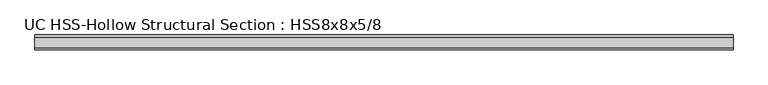
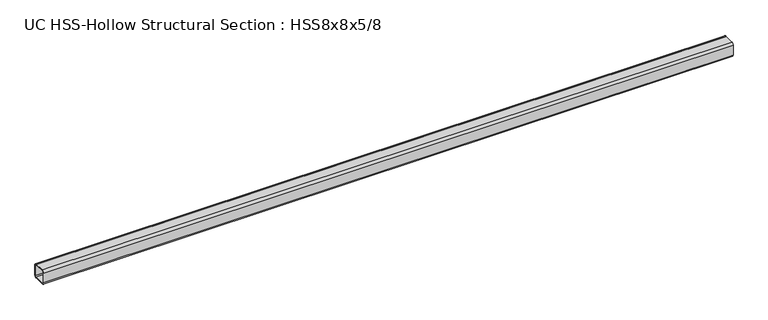
"""IFC4 building model written with IfcOpenShell, lengths in millimetres: member geometry, UC HSS-Hollow Structural Section : HSS8x8x5/8."""

from ifc_helpers import new_model, si_unit, point, frame, frame_2d, origin, place, context, project, spatial, polyline, circle_curve, trimmed, segment, composite_curve, outline, extrude, source, transform, mapped, element, save


def uc_hss_hollow_structural_section_hss8x8x5_8_5b283559(model_context):
    return source(origin(), model_context, "Body", "SweptSolid", [
        extrude(outline(composite_curve([segment(polyline([(101.6, 72.0852), (101.6, -72.0852)]), True, "CONTINUOUS"), segment(trimmed(circle_curve(frame_2d((72.0852, -72.0852)), 29.5148), [point((101.6, -72.0852))], [point((72.0852, -101.6))], False, "CARTESIAN"), True, "CONTINUOUS"), segment(polyline([(72.0852, -101.6), (-72.0852, -101.6)]), True, "CONTINUOUS"), segment(trimmed(circle_curve(frame_2d((-72.0852, -72.0852)), 29.5148), [point((-72.0852, -101.6))], [point((-101.6, -72.0852))], False, "CARTESIAN"), True, "CONTINUOUS"), segment(polyline([(-101.6, -72.0852), (-101.6, 72.0852)]), True, "CONTINUOUS"), segment(trimmed(circle_curve(frame_2d((-72.0852, 72.0852)), 29.5148), [point((-101.6, 72.0852))], [point((-72.0852, 101.6))], False, "CARTESIAN"), True, "CONTINUOUS"), segment(polyline([(-72.0852, 101.6), (72.0852, 101.6)]), True, "CONTINUOUS"), segment(trimmed(circle_curve(frame_2d((72.0852, 72.0852)), 29.5148), [point((72.0852, 101.6))], [point((101.6, 72.0852))], False, "CARTESIAN"), True, "CONTINUOUS")], self_intersect=False), holes=[composite_curve([segment(trimmed(circle_curve(frame_2d((-72.0852, 72.0852)), 14.7574), [point((-72.0852, 86.8426))], [point((-86.8426, 72.0852))], True, "CARTESIAN"), True, "CONTINUOUS"), segment(polyline([(-86.8426, 72.0852), (-86.8426, -72.0852)]), True, "CONTINUOUS"), segment(trimmed(circle_curve(frame_2d((-72.0852, -72.0852)), 14.7574), [point((-86.8426, -72.0852))], [point((-72.0852, -86.8426))], True, "CARTESIAN"), True, "CONTINUOUS"), segment(polyline([(-72.0852, -86.8426), (72.0852, -86.8426)]), True, "CONTINUOUS"), segment(trimmed(circle_curve(frame_2d((72.0852, -72.0852)), 14.7574), [point((72.0852, -86.8426))], [point((86.8426, -72.0852))], True, "CARTESIAN"), True, "CONTINUOUS"), segment(polyline([(86.8426, -72.0852), (86.8426, 72.0852)]), True, "CONTINUOUS"), segment(trimmed(circle_curve(frame_2d((72.0852, 72.0852)), 14.7574), [point((86.8426, 72.0852))], [point((72.0852, 86.8426))], True, "CARTESIAN"), True, "CONTINUOUS"), segment(polyline([(72.0852, 86.8426), (-72.0852, 86.8426)]), True, "CONTINUOUS")], self_intersect=False)]), frame((-4811.9291661, 0.0, 0.0), z_axis=(1.0, 0.0, 0.0), x_axis=(0.0, 1.0, 0.0)), (0.0, 0.0, 1.0), 9623.8583322),
    ])


if __name__ == "__main__":
    model = new_model("IFC4")
    model_context = context("Model", 3, world=origin())
    ifc_project = project(units=[si_unit("LENGTHUNIT", "METRE", prefix="MILLI")], contexts=[model_context])
    site = spatial("IfcSite", under=ifc_project)
    building = spatial("IfcBuilding", under=site)
    placement = place(None, origin())
    uc_hss_hollow_structural_section_hss8x8x5_8_shape = uc_hss_hollow_structural_section_hss8x8x5_8_5b283559(model_context)
    element("IfcMember", 1, ObjectType="UC HSS-Hollow Structural Section : HSS8x8x5/8", at=placement, inside=building, context=model_context, shape_type="MappedRepresentation", body=[
        mapped(uc_hss_hollow_structural_section_hss8x8x5_8_shape, transform((0.0, 0.0, 0.0), x_axis=(1.0, 0.0, 0.0), y_axis=(0.0, 1.0, 0.0), z_axis=(0.0, 0.0, 1.0))),
    ])
    save(model, "model.ifc")
